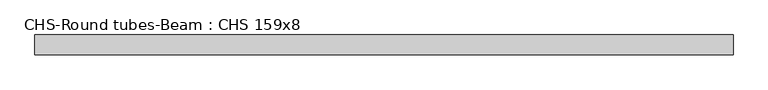
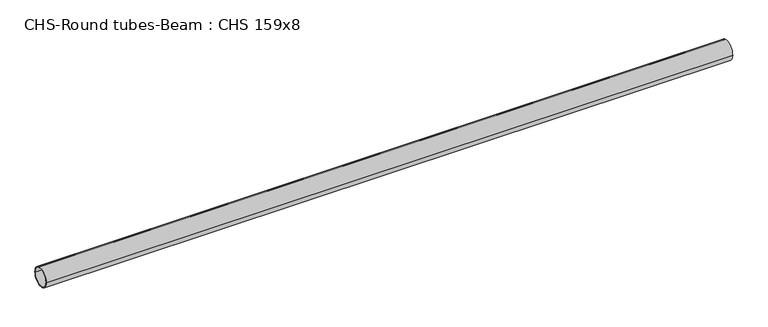
"""IFC4 building model written with IfcOpenShell, lengths in millimetres: beam geometry, CHS-Round tubes-Beam : CHS 159x8."""

import ifcopenshell
import ifcopenshell.guid

model = None  # the IFC model being written
_history = None  # IfcOwnerHistory: only IFC2X3 demands one
_inside = {}  # id of a spatial element -> (the spatial element, [elements in it])
_under = {}  # id of a project, library or spatial element -> (it, [spatial elements below it])
_declared = {}  # id of a project -> (the project, [libraries it declares])
_typed = {}  # id of a type object -> (the type object, [elements of that type])
_made_of = {}  # id of a material, layer set ... -> (it, [elements and type objects made of it])


def new_model(schema):
    """Start an empty IFC model of exactly this schema.

    Asked for "IFC4X3", IfcOpenShell would pick the latest addendum, in which some entities
    have other attributes; the version numbers below select the first issue.
    IFC2X3 requires an IfcOwnerHistory on every rooted entity: one is made here for all.
    """
    global model, _history
    if schema == "IFC4X3":
        model = ifcopenshell.file(schema_version=(4, 3, 0, 0))
    else:
        model = ifcopenshell.file(schema=schema)
    _inside.clear()
    _under.clear()
    _declared.clear()
    _typed.clear()
    _made_of.clear()
    _history = None
    if model.schema == "IFC2X3":
        org = make("IfcOrganization", Name="unknown")
        user = make(
            "IfcPersonAndOrganization",
            ThePerson=make("IfcPerson", FamilyName="unknown"),
            TheOrganization=org,
        )
        app = make(
            "IfcApplication",
            ApplicationDeveloper=org,
            Version="unknown",
            ApplicationFullName="unknown",
            ApplicationIdentifier="unknown",
        )
        _history = make(
            "IfcOwnerHistory",
            OwningUser=user,
            OwningApplication=app,
            ChangeAction="ADDED",
            CreationDate=0,
        )
    return model


def make(cls, **values):
    """One entity of the class cls with the attributes given. An attribute that is None is left unset."""
    return model.create_entity(
        cls, **{name: value for name, value in values.items() if value is not None}
    )


def rooted(cls, **values):
    """An entity with a GlobalId (a new one), such as an element, a storey or a relation."""
    return make(cls, GlobalId=ifcopenshell.guid.new(), OwnerHistory=_history, **values)


def si_unit(unit_type, name, prefix=None):
    """IfcSIUnit, for example si_unit("LENGTHUNIT", "METRE", prefix="MILLI")."""
    return make("IfcSIUnit", UnitType=unit_type, Prefix=prefix, Name=name)


def assignment(units):
    """IfcUnitAssignment: the units of a project."""
    return None if units is None else make("IfcUnitAssignment", Units=units)


def point(xyz):
    """IfcCartesianPoint."""
    return None if xyz is None else make("IfcCartesianPoint", Coordinates=xyz)


def direction(xyz):
    """IfcDirection."""
    return None if xyz is None else make("IfcDirection", DirectionRatios=xyz)


def frame(location, z_axis=None, x_axis=None):
    """IfcAxis2Placement3D, a coordinate frame: its origin and axes. An axis left out is left unset."""
    return make(
        "IfcAxis2Placement3D",
        Location=point(location),
        Axis=direction(z_axis),
        RefDirection=direction(x_axis),
    )


def frame_2d(location, x_axis=None):
    """IfcAxis2Placement2D, a coordinate frame in the plane: its origin and x axis."""
    return make(
        "IfcAxis2Placement2D", Location=point(location), RefDirection=direction(x_axis)
    )


def origin():
    """The frame at (0, 0, 0) with its axes left unset."""
    return frame((0.0, 0.0, 0.0))


def origin_2d():
    """The frame at (0, 0) in the plane with its x axis left unset."""
    return frame_2d((0.0, 0.0))


def place(relative_to, where):
    """IfcLocalPlacement: puts the frame where relative to a parent placement (None: the world)."""
    return make(
        "IfcLocalPlacement", PlacementRelTo=relative_to, RelativePlacement=where
    )


def context(
    kind, dimensions, precision=None, world=None, true_north=None, identifier=None
):
    """IfcGeometricRepresentationContext, for example the 3D "Model" context."""
    return make(
        "IfcGeometricRepresentationContext",
        ContextIdentifier=identifier,
        ContextType=kind,
        CoordinateSpaceDimension=dimensions,
        Precision=precision,
        WorldCoordinateSystem=world,
        TrueNorth=true_north,
    )


def project(units=None, contexts=None):
    """IfcProject with its units and contexts."""
    return rooted(
        "IfcProject",
        Name="project",
        RepresentationContexts=contexts,
        UnitsInContext=assignment(units),
    )


def spatial(cls, under=None, at=None, **own):
    """A site, building, storey or space (cls), placed at a placement, below another one or the project."""
    s = rooted(cls, ObjectPlacement=at, **own)
    if under is not None:
        _under.setdefault(under.id(), (under, []))[1].append(s)
    return s


def circle_curve(where, radius):
    """IfcCircle in the frame where."""
    return make("IfcCircle", Position=where, Radius=radius)


def trimmed(basis, trim1, trim2, sense, master):
    """IfcTrimmedCurve: the piece of a basis curve between two trims."""
    return make(
        "IfcTrimmedCurve",
        BasisCurve=basis,
        Trim1=trim1,
        Trim2=trim2,
        SenseAgreement=sense,
        MasterRepresentation=master,
    )


def segment(curve, same_sense, transition):
    """IfcCompositeCurveSegment."""
    return make(
        "IfcCompositeCurveSegment",
        Transition=transition,
        SameSense=same_sense,
        ParentCurve=curve,
    )


def composite_curve(segments, self_intersect=None):
    """IfcCompositeCurve: segments joined end to end."""
    return make("IfcCompositeCurve", Segments=segments, SelfIntersect=self_intersect)


def outline(outer, holes=None, kind="AREA"):
    """IfcArbitraryClosedProfileDef: a profile drawn as a closed curve; with holes, ...WithVoids."""
    if holes is None:
        return make("IfcArbitraryClosedProfileDef", ProfileType=kind, OuterCurve=outer)
    return make(
        "IfcArbitraryProfileDefWithVoids",
        ProfileType=kind,
        OuterCurve=outer,
        InnerCurves=holes,
    )


def extrude(swept, where, along, depth):
    """IfcExtrudedAreaSolid: the profile swept, set in the frame where, extruded along a direction by depth."""
    return make(
        "IfcExtrudedAreaSolid",
        SweptArea=swept,
        Position=where,
        ExtrudedDirection=direction(along),
        Depth=depth,
    )


def shape(context_of_items, identifier, shape_type, items):
    """IfcShapeRepresentation: the items that make up one representation, for example the "Body"."""
    return make(
        "IfcShapeRepresentation",
        ContextOfItems=context_of_items,
        RepresentationIdentifier=identifier,
        RepresentationType=shape_type,
        Items=items,
    )


def source(mapping_origin, context_of_items, identifier, shape_type, items):
    """IfcRepresentationMap: a shape defined once, which mapped items show again and again."""
    return make(
        "IfcRepresentationMap",
        MappingOrigin=mapping_origin,
        MappedRepresentation=shape(context_of_items, identifier, shape_type, items),
    )


def transform(
    local_origin,
    x_axis=None,
    y_axis=None,
    z_axis=None,
    scale=None,
    scale2=None,
    scale3=None,
    uniform=True,
):
    """IfcCartesianTransformationOperator3D, or its non-uniform kind. x_axis, y_axis, z_axis: its Axis1, 2, 3."""
    if uniform:
        return make(
            "IfcCartesianTransformationOperator3D",
            Axis1=direction(x_axis),
            Axis2=direction(y_axis),
            LocalOrigin=point(local_origin),
            Scale=scale,
            Axis3=direction(z_axis),
        )
    return make(
        "IfcCartesianTransformationOperator3DnonUniform",
        Axis1=direction(x_axis),
        Axis2=direction(y_axis),
        LocalOrigin=point(local_origin),
        Scale=scale,
        Axis3=direction(z_axis),
        Scale2=scale2,
        Scale3=scale3,
    )


def mapped(mapping_source, mapping_target):
    """IfcMappedItem: shows the shape of a source again, moved by a transform."""
    return make(
        "IfcMappedItem", MappingSource=mapping_source, MappingTarget=mapping_target
    )


def made_of(thing, what):
    """Note that an element or type object is made of a material, layer set ...; save() writes the relation."""
    if what is not None:
        _made_of.setdefault(what.id(), (what, []))[1].append(thing)
    return thing


def element(
    cls,
    number,
    at=None,
    inside=None,
    cuts=None,
    type_object=None,
    material=None,
    context=None,
    identifier="Body",
    shape_type=None,
    held_by="IfcProductDefinitionShape",
    body=None,
    shapes=None,
    **own,
):
    """One element of the class cls, such as IfcWall. Its Tag is "e" and its number.

    at: its placement. inside: the storey or other place that contains it. cuts: it is an
    opening in that element (IfcRelVoidsElement). A single representation is given by context,
    identifier, shape_type and body (its items); several are given by shapes. held_by: the class
    of the entity that holds the representations. save() writes the other relations.
    """
    e = rooted(cls, Tag="e%d" % number, ObjectPlacement=at, **own)
    if body is not None:
        shapes = [shape(context, identifier, shape_type, body)]
    if shapes is not None:
        e.Representation = make(held_by, Representations=shapes)
    if inside is not None:
        _inside.setdefault(inside.id(), (inside, []))[1].append(e)
    if cuts is not None:
        rooted(
            "IfcRelVoidsElement", RelatingBuildingElement=cuts, RelatedOpeningElement=e
        )
    if type_object is not None:
        _typed.setdefault(type_object.id(), (type_object, []))[1].append(e)
    return made_of(e, material)


def aggregate(whole, parts):
    """IfcRelAggregates: a whole, such as a stair, and the parts it consists of."""
    return rooted("IfcRelAggregates", RelatingObject=whole, RelatedObjects=parts)


def save(model, path):
    """Write the relations noted so far, then the file.

    IfcRelAggregates (storeys below a building ...), IfcRelContainedInSpatialStructure (elements
    in a storey), IfcRelDefinesByType, IfcRelAssociatesMaterial and IfcRelDeclares: one each for
    every whole, place, type object, material and project.
    """
    for whole, parts in _under.values():
        aggregate(whole, parts)
    for where, things in _inside.values():
        rooted(
            "IfcRelContainedInSpatialStructure",
            RelatedElements=things,
            RelatingStructure=where,
        )
    for kind, things in _typed.values():
        rooted("IfcRelDefinesByType", RelatedObjects=things, RelatingType=kind)
    for what, things in _made_of.values():
        rooted("IfcRelAssociatesMaterial", RelatedObjects=things, RelatingMaterial=what)
    for by, libraries in _declared.values():
        rooted("IfcRelDeclares", RelatingContext=by, RelatedDefinitions=libraries)
    model.write(path)


def chs_round_tubes_beam_chs_159x8_4e7b7db9(model_context):
    return source(origin(), model_context, "Body", "SweptSolid", [
        extrude(outline(composite_curve([segment(trimmed(circle_curve(origin_2d(), 79.5), [point((79.5, 0.0))], [point((-79.5, 0.0))], False, "CARTESIAN"), True, "CONTINUOUS"), segment(trimmed(circle_curve(origin_2d(), 79.5), [point((-79.5, 0.0))], [point((79.5, 0.0))], False, "CARTESIAN"), True, "CONTINUOUS")], self_intersect=False), holes=[composite_curve([segment(trimmed(circle_curve(origin_2d(), 71.5), [point((71.5, 0.0))], [point((-71.5, 0.0))], True, "CARTESIAN"), True, "CONTINUOUS"), segment(trimmed(circle_curve(origin_2d(), 71.5), [point((-71.5, 0.0))], [point((71.5, 0.0))], True, "CARTESIAN"), True, "CONTINUOUS")], self_intersect=False)]), frame((-2806.7393285, 0.0, 0.0), z_axis=(1.0, 0.0, 0.0), x_axis=(0.0, 1.0, 0.0)), (0.0, 0.0, 1.0), 5609.3971039),
    ])


if __name__ == "__main__":
    model = new_model("IFC4")
    model_context = context("Model", 3, world=origin())
    ifc_project = project(units=[si_unit("LENGTHUNIT", "METRE", prefix="MILLI")], contexts=[model_context])
    site = spatial("IfcSite", under=ifc_project)
    building = spatial("IfcBuilding", under=site)
    placement = place(None, origin())
    chs_round_tubes_beam_chs_159x8_shape = chs_round_tubes_beam_chs_159x8_4e7b7db9(model_context)
    element("IfcBeam", 1, ObjectType="CHS-Round tubes-Beam : CHS 159x8", at=placement, inside=building, context=model_context, shape_type="MappedRepresentation", body=[
        mapped(chs_round_tubes_beam_chs_159x8_shape, transform((0.0, 0.0, 0.0), x_axis=(1.0, 0.0, 0.0), y_axis=(0.0, 1.0, 0.0), z_axis=(0.0, 0.0, 1.0))),
    ])
    save(model, "model.ifc")
